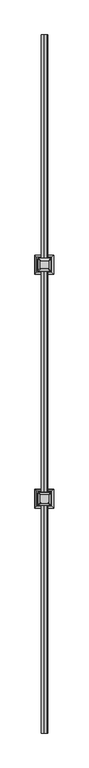
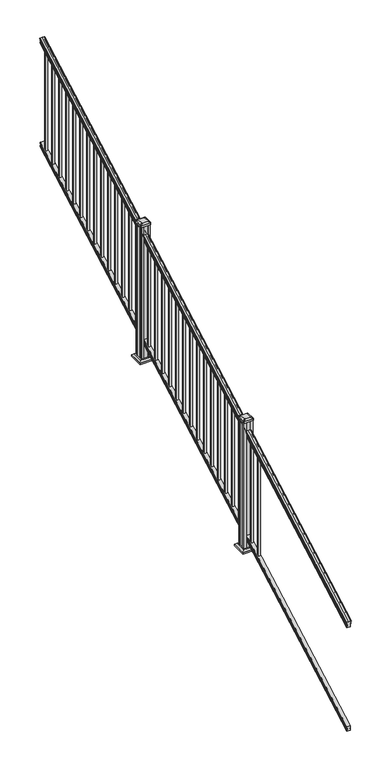
"""IFC4 building model written with IfcOpenShell, lengths in millimetres: railing geometry."""

from ifc_helpers import new_model, si_unit, point, frame, frame_2d, origin, place, context, project, spatial, polyline, circle_curve, ellipse_curve, trimmed, segment, composite_curve, outline, extrude, faceted_brep, source, transform, mapped, element, save
from ifc_brep_helpers import plane_surface, cylinder_surface, revolved_surface, extruded_surface, advanced_brep


def railing_6ab69470(model_context):
    return source(origin(), model_context, "Body", "SolidModel", [
        advanced_brep(
        [(12339.4270946, 1778.9805319, 1263.5933), (12339.4270946, 1778.9805319, 1265.7531886), (12340.5572809, 1778.9805319, 1267.540347), (12340.5572809, 1778.9805319, 1275.7974153), (12339.9080245, 1778.9805319, 1278.5811654), (12342.4080245, 1778.9805319, 1283.5346527), (12343.817367, 1778.9805319, 1285.4560334), (12344.219266, 1778.9805319, 1286.7198045), (12344.2192659, 1778.9805319, 1288.2530343), (12342.6658186, 1778.9805319, 1290.0301141), (12321.9942659, 1778.9805319, 1290.0301141), (12301.3227131, 1778.9805319, 1290.0301141), (12299.7692659, 1778.9805319, 1288.2530343), (12299.7692659, 1778.9805319, 1286.7198045), (12300.1711648, 1778.9805319, 1285.4560334), (12301.5805072, 1778.9805319, 1283.5346527), (12304.0805072, 1778.9805319, 1278.5811654), (12303.4312508, 1778.9805319, 1275.7974153), (12303.4312508, 1778.9805319, 1267.540347), (12304.5614371, 1778.9805319, 1265.7531886), (12304.5614371, 1778.9805319, 1263.5933), (12307.1352659, 1778.9805319, 1263.5933), (12307.1352659, 1778.9805319, 1251.582302), (12306.1192659, 1778.9805319, 1250.4200397), (12306.1192659, 1778.9805319, 1236.1333333), (12337.8692659, 1778.9805319, 1236.1333333), (12337.8692659, 1778.9805319, 1250.2395054), (12336.8532659, 1778.9805319, 1251.4017677), (12336.8532659, 1778.9805319, 1263.5933), (12339.4270946, 6655.7805319, 3972.9266334), (12336.8532659, 6655.7805319, 3972.9266334), (12336.8532659, 6655.7805319, 3960.735101), (12337.8692659, 6655.7805319, 3959.5728388), (12337.8692659, 6655.7805319, 3945.4666667), (12306.1192659, 6655.7805319, 3945.4666667), (12306.1192659, 6655.7805319, 3959.7533731), (12307.1352659, 6655.7805319, 3960.9156353), (12307.1352659, 6655.7805319, 3972.9266334), (12304.5614371, 6655.7805319, 3972.9266334), (12304.5614371, 6655.7805319, 3975.0865219), (12303.4312508, 6655.7805319, 3976.8736803), (12303.4312508, 6655.7805319, 3985.1307486), (12304.0805072, 6655.7805319, 3987.9144987), (12301.5805072, 6655.7805319, 3992.8679861), (12300.1711648, 6655.7805319, 3994.7893668), (12299.7692658, 6655.7805319, 3996.0531378), (12299.7692659, 6655.7805319, 3997.5863676), (12301.3227131, 6655.7805319, 3999.3634474), (12321.9942659, 6655.7805319, 3999.3634474), (12342.6658186, 6655.7805319, 3999.3634474), (12344.2192659, 6655.7805319, 3997.5863676), (12344.2192659, 6655.7805319, 3996.0531378), (12343.817367, 6655.7805319, 3994.7893668), (12342.4080245, 6655.7805319, 3992.8679861), (12339.9080245, 6655.7805319, 3987.9144987), (12340.5572809, 6655.7805319, 3985.1307486), (12340.5572809, 6655.7805319, 3976.8736803), (12339.4270946, 6655.7805319, 3975.0865219)],
        [
            (0, 1),
            (1, 2, ellipse_curve(frame((12333.1123413, 1778.9805319, 1272.3403628), z_axis=(0.0, -1.0, 0.0), x_axis=(0.0, 0.0, -0.9999999999999999)), 9.7762168, 8.545951)),
            (2, 3, ellipse_curve(frame((12333.5494043, 1778.9805319, 1271.6688811), z_axis=(0.0, -1.0, 0.0), x_axis=(0.0, 0.0, -0.9999999999999999)), 9.0173521, 7.882584)),
            (3, 4, ellipse_curve(frame((12344.0627284, 1778.9805319, 1278.3582895), z_axis=(0.0, 1.0, 0.0), x_axis=(0.0, 0.0, 0.9999999999999999)), 4.7580334, 4.1592695)),
            (4, 5, ellipse_curve(frame((12345.350035, 1778.9805319, 1278.2892329), z_axis=(0.0, 1.0, 0.0), x_axis=(0.0, 0.0, 0.9999999999999999)), 6.2322774, 5.4479907)),
            (5, 6, ellipse_curve(frame((12344.1168765, 1778.9805319, 1283.5314345), z_axis=(0.0, 1.0, 0.0), x_axis=(0.0, 0.0, 0.9999999999999999)), 1.9548591, 1.7088543)),
            (6, 7, ellipse_curve(frame((12342.4999764, 1778.9805319, 1286.7198045), z_axis=(0.0, -1.0, 0.0), x_axis=(0.0, 0.0, -0.9999999999999999)), 1.9667965, 1.7192895)),
            (7, 8),
            (8, 9, ellipse_curve(frame((12342.6658186, 1778.9805319, 1288.2530343), z_axis=(0.0, -1.0, 0.0), x_axis=(0.0, 0.0, -0.9999999999999999)), 1.7770798, 1.5534472)),
            (9, 10),
            (10, 11),
            (11, 12, ellipse_curve(frame((12301.3227131, 1778.9805319, 1288.2530343), z_axis=(0.0, -1.0, 0.0), x_axis=(0.0, 0.0, -0.9999999999999999)), 1.7770798, 1.5534472)),
            (12, 13),
            (13, 14, ellipse_curve(frame((12301.4885553, 1778.9805319, 1286.7198045), z_axis=(0.0, -1.0, 0.0), x_axis=(0.0, 0.0, -0.9999999999999999)), 1.9667965, 1.7192895)),
            (14, 15, ellipse_curve(frame((12299.8716552, 1778.9805319, 1283.5314345), z_axis=(0.0, 1.0, 0.0), x_axis=(0.0, 0.0, 0.9999999999999999)), 1.9548591, 1.7088543)),
            (15, 16, ellipse_curve(frame((12298.6384968, 1778.9805319, 1278.2892329), z_axis=(0.0, 1.0, 0.0), x_axis=(0.0, 0.0, 0.9999999999999999)), 6.2322774, 5.4479907)),
            (16, 17, ellipse_curve(frame((12299.9258033, 1778.9805319, 1278.3582895), z_axis=(0.0, 1.0, 0.0), x_axis=(0.0, 0.0, 0.9999999999999999)), 4.7580334, 4.1592695)),
            (17, 18, ellipse_curve(frame((12310.4391275, 1778.9805319, 1271.6688811), z_axis=(0.0, -1.0, 0.0), x_axis=(0.0, 0.0, -0.9999999999999999)), 9.0173521, 7.882584)),
            (18, 19, ellipse_curve(frame((12310.8761904, 1778.9805319, 1272.3403628), z_axis=(0.0, -1.0, 0.0), x_axis=(0.0, 0.0, -0.9999999999999999)), 9.7762168, 8.545951)),
            (19, 20),
            (20, 21, ellipse_curve(frame((12305.8483515, 1778.9805319, 1263.5933), z_axis=(0.0, -1.0, 0.0), x_axis=(0.0, 0.0, -0.9999999999999999)), 1.4721772, 1.2869144)),
            (21, 22),
            (22, 23),
            (23, 24),
            (24, 25),
            (25, 26),
            (26, 27),
            (27, 28),
            (28, 0, ellipse_curve(frame((12338.1401802, 1778.9805319, 1263.5933), z_axis=(0.0, -1.0, 0.0), x_axis=(0.0, 0.0, -0.9999999999999999)), 1.4721772, 1.2869144)),
            (29, 30, ellipse_curve(frame((12338.1401802, 6655.7805319, 3972.9266334), z_axis=(0.0, 1.0, 0.0), x_axis=(0.0, 0.0, -0.9999999999999999)), 1.4721772, 1.2869144)),
            (30, 31),
            (31, 32),
            (32, 33),
            (33, 34),
            (34, 35),
            (35, 36),
            (36, 37),
            (37, 38, ellipse_curve(frame((12305.8483515, 6655.7805319, 3972.9266334), z_axis=(0.0, 1.0, 0.0), x_axis=(0.0, 0.0, -0.9999999999999999)), 1.4721772, 1.2869144)),
            (38, 39),
            (39, 40, ellipse_curve(frame((12310.8761904, 6655.7805319, 3981.6736961), z_axis=(0.0, 1.0, 0.0), x_axis=(0.0, 0.0, -0.9999999999999999)), 9.7762168, 8.545951)),
            (40, 41, ellipse_curve(frame((12310.4391275, 6655.7805319, 3981.0022145), z_axis=(0.0, 1.0, 0.0), x_axis=(0.0, 0.0, -0.9999999999999999)), 9.0173521, 7.882584)),
            (41, 42, ellipse_curve(frame((12299.9258033, 6655.7805319, 3987.6916228), z_axis=(0.0, -1.0, 0.0), x_axis=(0.0, 0.0, 0.9999999999999999)), 4.7580334, 4.1592695)),
            (42, 43, ellipse_curve(frame((12298.6384968, 6655.7805319, 3987.6225663), z_axis=(0.0, -1.0, 0.0), x_axis=(0.0, 0.0, 0.9999999999999999)), 6.2322774, 5.4479907)),
            (43, 44, ellipse_curve(frame((12299.8716552, 6655.7805319, 3992.8647678), z_axis=(0.0, -1.0, 0.0), x_axis=(0.0, 0.0, 0.9999999999999999)), 1.9548591, 1.7088543)),
            (44, 45, ellipse_curve(frame((12301.4885553, 6655.7805319, 3996.0531378), z_axis=(0.0, 1.0, 0.0), x_axis=(0.0, 0.0, -0.9999999999999999)), 1.9667965, 1.7192895)),
            (45, 46),
            (46, 47, ellipse_curve(frame((12301.3227131, 6655.7805319, 3997.5863676), z_axis=(0.0, 1.0, 0.0), x_axis=(0.0, 0.0, -0.9999999999999999)), 1.7770798, 1.5534472)),
            (47, 48),
            (48, 49),
            (49, 50, ellipse_curve(frame((12342.6658186, 6655.7805319, 3997.5863676), z_axis=(0.0, 1.0, 0.0), x_axis=(0.0, 0.0, -0.9999999999999999)), 1.7770798, 1.5534472)),
            (50, 51),
            (51, 52, ellipse_curve(frame((12342.4999764, 6655.7805319, 3996.0531378), z_axis=(0.0, 1.0, 0.0), x_axis=(0.0, 0.0, -0.9999999999999999)), 1.9667965, 1.7192895)),
            (52, 53, ellipse_curve(frame((12344.1168765, 6655.7805319, 3992.8647678), z_axis=(0.0, -1.0, 0.0), x_axis=(0.0, 0.0, 0.9999999999999999)), 1.9548591, 1.7088543)),
            (53, 54, ellipse_curve(frame((12345.350035, 6655.7805319, 3987.6225663), z_axis=(0.0, -1.0, 0.0), x_axis=(0.0, 0.0, 0.9999999999999999)), 6.2322774, 5.4479907)),
            (54, 55, ellipse_curve(frame((12344.0627284, 6655.7805319, 3987.6916228), z_axis=(0.0, -1.0, 0.0), x_axis=(0.0, 0.0, 0.9999999999999999)), 4.7580334, 4.1592695)),
            (55, 56, ellipse_curve(frame((12333.5494043, 6655.7805319, 3981.0022145), z_axis=(0.0, 1.0, 0.0), x_axis=(0.0, 0.0, -0.9999999999999999)), 9.0173521, 7.882584)),
            (56, 57, ellipse_curve(frame((12333.1123413, 6655.7805319, 3981.6736961), z_axis=(0.0, 1.0, 0.0), x_axis=(0.0, 0.0, -0.9999999999999999)), 9.7762168, 8.545951)),
            (57, 29),
            (0, 29),
            (57, 1),
            (56, 2),
            (55, 3),
            (54, 4),
            (53, 5),
            (52, 6),
            (51, 7),
            (50, 8),
            (49, 9),
            (48, 10),
            (47, 11),
            (46, 12),
            (45, 13),
            (44, 14),
            (43, 15),
            (42, 16),
            (41, 17),
            (40, 18),
            (39, 19),
            (38, 20),
            (37, 21),
            (36, 22),
            (35, 23),
            (34, 24),
            (33, 25),
            (32, 26),
            (31, 27),
            (30, 28),
        ],
        [
            plane_surface(frame((12321.9942659, 1778.9805319, 1236.1333333), z_axis=(0.0, -1.0, 0.0), x_axis=(0.0, 0.0, 1.0))),
            plane_surface(frame((12321.9942659, 6655.7805319, 3945.4666667), z_axis=(0.0, 1.0, 0.0), x_axis=(0.0, 0.0, 1.0))),
            plane_surface(frame((12339.4270946, 1778.9805319, 1263.5933), z_axis=(1.0000000000000002, 0.0, 0.0), x_axis=(0.0, 0.8741572761215701, 0.48564293117857404))),
            cylinder_surface(frame((12333.1123413, 1763.6096232, 1263.8009691), z_axis=(0.0, -0.8741572761215701, -0.48564293117857404), x_axis=(-1.0, 0.0, 0.0)), 8.545951),
            cylinder_surface(frame((12333.5494043, 1763.8946861, 1263.2878557), z_axis=(0.0, -0.8741572761215701, -0.48564293117857404), x_axis=(-1.0, 0.0, 0.0)), 7.882584),
            revolved_surface(polyline([(12339.9034589, 6657.8004517445215, 3988.813800479864), (12339.9034589, 1776.960612079246, 1277.2361117773576)]), (12344.0627284, 1761.054843, 1268.3995734), (0.0, 0.8741572761215701, 0.48564293117857404)),
            revolved_surface(polyline([(12339.902044299999, 6658.426310041691, 3989.0924430449577), (12339.902044299999, 1776.3347537301895, 1276.8193562056595)]), (12345.350035, 1761.0841594, 1268.3468038), (0.0, 0.8741572761215701, 0.48564293117857404)),
            revolved_surface(polyline([(12342.4080222, 6656.610424923767, 3993.325819457222), (12342.4080222, 1778.1506389094347, 1283.0703827830175)]), (12344.1168765, 1758.8586965, 1272.352637), (0.0, 0.8741572761215701, 0.48564293117857404)),
            cylinder_surface(frame((12342.4999764, 1757.5051432, 1274.789033), z_axis=(0.0, -0.8741572761215701, -0.48564293117857404), x_axis=(-1.0, 0.0, 0.0)), 1.7192895),
            plane_surface(frame((12344.2192659, 1778.9805319, 1286.7198045), z_axis=(1.0000000000000002, 0.0, 0.0), x_axis=(0.0, 0.8741572761215701, 0.485642931178574))),
            cylinder_surface(frame((12342.6658186, 1756.8542438, 1275.960652), z_axis=(0.0, -0.8741572761215701, -0.48564293117857404), x_axis=(-1.0, 0.0, 0.0)), 1.5534472),
            plane_surface(frame((12342.6658186, 1778.9805319, 1290.0301141), z_axis=(0.0, -0.485642931178574, 0.8741572761215701), x_axis=(0.0, 0.8741572761215701, 0.485642931178574))),
            plane_surface(frame((12321.9942659, 1778.9805319, 1290.0301141), z_axis=(0.0, -0.485642931178574, 0.8741572761215701), x_axis=(0.0, 0.8741572761215701, 0.485642931178574))),
            cylinder_surface(frame((12301.3227131, 1756.8542438, 1275.960652), z_axis=(0.0, -0.8741572761215701, -0.48564293117857404), x_axis=(1.0, 0.0, 0.0)), 1.5534472),
            plane_surface(frame((12299.7692659, 1778.9805319, 1288.2530343), z_axis=(-1.0000000000000002, 0.0, 0.0), x_axis=(0.0, 0.8741572761215701, 0.485642931178574))),
            cylinder_surface(frame((12301.4885553, 1757.5051432, 1274.789033), z_axis=(0.0, -0.8741572761215701, -0.48564293117857404), x_axis=(1.0, 0.0, 0.0)), 1.7192895),
            revolved_surface(polyline([(12301.580509500001, 6656.610424923767, 3993.325819457222), (12301.580509500001, 1778.1506389094347, 1283.0703827830175)]), (12299.8716552, 1758.8586965, 1272.352637), (0.0, 0.8741572761215701, 0.48564293117857404)),
            revolved_surface(polyline([(12304.0864875, 6658.426310041691, 3989.0924430449577), (12304.0864875, 1776.3347537301895, 1276.8193562056595)]), (12298.6384968, 1761.0841594, 1268.3468038), (0.0, 0.8741572761215701, 0.48564293117857404)),
            revolved_surface(polyline([(12304.0850728, 6657.8004517445215, 3988.813800479864), (12304.0850728, 1776.960612079246, 1277.2361117773576)]), (12299.9258033, 1761.054843, 1268.3995734), (0.0, 0.8741572761215701, 0.48564293117857404)),
            cylinder_surface(frame((12310.4391275, 1763.8946861, 1263.2878557), z_axis=(0.0, -0.8741572761215701, -0.48564293117857404), x_axis=(1.0, 0.0, 0.0)), 7.882584),
            cylinder_surface(frame((12310.8761904, 1763.6096232, 1263.8009691), z_axis=(0.0, -0.8741572761215701, -0.48564293117857404), x_axis=(1.0, 0.0, 0.0)), 8.545951),
            plane_surface(frame((12304.5614371, 1778.9805319, 1265.7531886), z_axis=(-1.0000000000000002, 0.0, 0.0), x_axis=(0.0, 0.8741572761215701, 0.485642931178574))),
            cylinder_surface(frame((12305.8483515, 1767.3229989, 1257.1168928), z_axis=(0.0, -0.8741572761215701, -0.48564293117857404), x_axis=(1.0, 0.0, 0.0)), 1.2869144),
            plane_surface(frame((12307.1352659, 1778.9805319, 1263.5933), z_axis=(-1.0000000000000002, 0.0, 0.0), x_axis=(0.0, 0.8741572761215701, 0.485642931178574))),
            plane_surface(frame((12307.1352659, 1778.9805319, 1251.582302), z_axis=(-0.7071067811865438, -0.3434014098716824, 0.6181225377691275), x_axis=(0.0, 0.8741572761215701, 0.48564293117857393))),
            plane_surface(frame((12306.1192659, 1778.9805319, 1250.4200397), z_axis=(-1.0000000000000002, 0.0, 0.0), x_axis=(0.0, 0.8741572761215701, 0.485642931178574))),
            plane_surface(frame((12306.1192659, 1778.9805319, 1236.1333333), z_axis=(0.0, 0.485642931178574, -0.8741572761215701), x_axis=(0.0, 0.8741572761215701, 0.485642931178574))),
            plane_surface(frame((12337.8692659, 1778.9805319, 1236.1333333), z_axis=(1.0000000000000002, 0.0, 0.0), x_axis=(0.0, 0.8741572761215701, 0.485642931178574))),
            plane_surface(frame((12337.8692659, 1778.9805319, 1250.2395054), z_axis=(0.707106781186539, -0.34340140987168655, 0.6181225377691304), x_axis=(0.0, 0.8741572761215701, 0.48564293117857393))),
            plane_surface(frame((12336.8532659, 1778.9805319, 1251.4017677), z_axis=(1.0000000000000002, 0.0, 0.0), x_axis=(0.0, 0.8741572761215701, 0.48564293117857404))),
            cylinder_surface(frame((12338.1401802, 1767.3229989, 1257.1168928), z_axis=(0.0, -0.8741572761215701, -0.48564293117857404), x_axis=(-1.0, 0.0, 0.0)), 1.2869144),
        ],
        [
            (0, [[1, 2, 3, 4, 5, 6, 7, 8, 9, 10, 11, 12, 13, 14, 15, 16, 17, 18, 19, 20, 21, 22, 23, 24, 25, 26, 27, 28, 29]]),
            (1, [[30, 31, 32, 33, 34, 35, 36, 37, 38, 39, 40, 41, 42, 43, 44, 45, 46, 47, 48, 49, 50, 51, 52, 53, 54, 55, 56, 57, 58]]),
            (2, [[-1, 59, -58, 60]]),
            (3, [[-2, -60, -57, 61]]),
            (4, [[-3, -61, -56, 62]]),
            (5, [[-4, -62, -55, 63]]),
            (6, [[-5, -63, -54, 64]]),
            (7, [[-6, -64, -53, 65]]),
            (8, [[-7, -65, -52, 66]]),
            (9, [[-8, -66, -51, 67]]),
            (10, [[-9, -67, -50, 68]]),
            (11, [[-10, -68, -49, 69]]),
            (12, [[-11, -69, -48, 70]]),
            (13, [[-12, -70, -47, 71]]),
            (14, [[-13, -71, -46, 72]]),
            (15, [[-14, -72, -45, 73]]),
            (16, [[-15, -73, -44, 74]]),
            (17, [[-16, -74, -43, 75]]),
            (18, [[-17, -75, -42, 76]]),
            (19, [[-18, -76, -41, 77]]),
            (20, [[-19, -77, -40, 78]]),
            (21, [[-20, -78, -39, 79]]),
            (22, [[-21, -79, -38, 80]]),
            (23, [[-22, -80, -37, 81]]),
            (24, [[-23, -81, -36, 82]]),
            (25, [[-24, -82, -35, 83]]),
            (26, [[-25, -83, -34, 84]]),
            (27, [[-26, -84, -33, 85]]),
            (28, [[-27, -85, -32, 86]]),
            (29, [[-28, -86, -31, 87]]),
            (30, [[-29, -87, -30, -59]]),
        ],
    ),
        faceted_brep([(12337.9067528, 1778.9805319, 247.1948195), (12336.8907528, 1778.9805319, 248.6824473), (12336.8907528, 1778.9805319, 260.5333506), (12337.9067528, 1778.9805319, 262.0757247), (12337.9067528, 1778.9805319, 276.4134523), (12306.1567528, 1778.9805319, 276.4134523), (12306.1567528, 1778.9805319, 262.0566814), (12307.1727528, 1778.9805319, 260.5143074), (12307.1727528, 1778.9805319, 248.7181503), (12306.1567528, 1778.9805319, 247.1757762), (12306.1567528, 1778.9805319, 232.8333333), (12337.9067528, 1778.9805319, 232.8333333), (12337.9067528, 6655.7805319, 2956.5281528), (12337.9067528, 6655.7805319, 2942.1666667), (12306.1567528, 6655.7805319, 2942.1666667), (12306.1567528, 6655.7805319, 2956.5091096), (12307.1727528, 6655.7805319, 2958.0514837), (12307.1727528, 6655.7805319, 2969.8476407), (12306.1567528, 6655.7805319, 2971.3900148), (12306.1567528, 6655.7805319, 2985.7467856), (12337.9067528, 6655.7805319, 2985.7467856), (12337.9067528, 6655.7805319, 2971.409058), (12336.8907528, 6655.7805319, 2969.8666839), (12336.8907528, 6655.7805319, 2958.0157807)], [[[0, 1, 2, 3, 4, 5, 6, 7, 8, 9, 10, 11]], [[12, 13, 14, 15, 16, 17, 18, 19, 20, 21, 22, 23]], [[1, 0, 12, 23]], [[2, 1, 23, 22]], [[3, 2, 22, 21]], [[4, 3, 21, 20]], [[5, 4, 20, 19]], [[6, 5, 19, 18]], [[7, 6, 18, 17]], [[8, 7, 17, 16]], [[9, 8, 16, 15]], [[10, 9, 15, 14]], [[11, 10, 14, 13]], [[0, 11, 13, 12]]]),
        extrude(outline(polyline([(12331.5192659, 6580.5727194), (12312.4692659, 6580.5727194), (12312.4692659, 6599.6227194), (12331.5192659, 6599.6227194), (12331.5192659, 6580.5727194)]), holes=[polyline([(12331.1223909, 6580.9695944), (12331.1223909, 6599.2258444), (12312.8661409, 6599.2258444), (12312.8661409, 6580.9695944), (12331.1223909, 6580.9695944)])]), frame((0.0, 0.0, 2943.7720933), z_axis=(0.0, 0.0, 1.0), x_axis=(1.0, 0.0, 0.0)), (0.0, 0.0, 1.0), 965.2041219),
        extrude(outline(polyline([(12331.5192659, 6469.4477194), (12312.4692659, 6469.4477194), (12312.4692659, 6488.4977194), (12331.5192659, 6488.4977194), (12331.5192659, 6469.4477194)]), holes=[polyline([(12331.1223909, 6469.8445944), (12331.1223909, 6488.1008444), (12312.8661409, 6488.1008444), (12312.8661409, 6469.8445944), (12331.1223909, 6469.8445944)])]), frame((0.0, 0.0, 2882.0359822), z_axis=(0.0, 0.0, 1.0), x_axis=(1.0, 0.0, 0.0)), (0.0, 0.0, 1.0), 965.2041219),
        extrude(outline(polyline([(12331.5192659, 6358.3227194), (12312.4692659, 6358.3227194), (12312.4692659, 6377.3727194), (12331.5192659, 6377.3727194), (12331.5192659, 6358.3227194)]), holes=[polyline([(12331.1223909, 6358.7195944), (12331.1223909, 6376.9758444), (12312.8661409, 6376.9758444), (12312.8661409, 6358.7195944), (12331.1223909, 6358.7195944)])]), frame((0.0, 0.0, 2820.2998711), z_axis=(0.0, 0.0, 1.0), x_axis=(1.0, 0.0, 0.0)), (0.0, 0.0, 1.0), 965.2041219),
        extrude(outline(polyline([(12331.5192659, 6247.1977194), (12312.4692659, 6247.1977194), (12312.4692659, 6266.2477194), (12331.5192659, 6266.2477194), (12331.5192659, 6247.1977194)]), holes=[polyline([(12331.1223909, 6247.5945944), (12331.1223909, 6265.8508444), (12312.8661409, 6265.8508444), (12312.8661409, 6247.5945944), (12331.1223909, 6247.5945944)])]), frame((0.0, 0.0, 2758.56376), z_axis=(0.0, 0.0, 1.0), x_axis=(1.0, 0.0, 0.0)), (0.0, 0.0, 1.0), 965.2041219),
        extrude(outline(polyline([(12331.5192659, 6136.0727194), (12312.4692659, 6136.0727194), (12312.4692659, 6155.1227194), (12331.5192659, 6155.1227194), (12331.5192659, 6136.0727194)]), holes=[polyline([(12331.1223909, 6136.4695944), (12331.1223909, 6154.7258444), (12312.8661409, 6154.7258444), (12312.8661409, 6136.4695944), (12331.1223909, 6136.4695944)])]), frame((0.0, 0.0, 2696.8276489), z_axis=(0.0, 0.0, 1.0), x_axis=(1.0, 0.0, 0.0)), (0.0, 0.0, 1.0), 965.2041219),
        extrude(outline(polyline([(12331.5192659, 6024.9477194), (12312.4692659, 6024.9477194), (12312.4692659, 6043.9977194), (12331.5192659, 6043.9977194), (12331.5192659, 6024.9477194)]), holes=[polyline([(12331.1223909, 6025.3445944), (12331.1223909, 6043.6008444), (12312.8661409, 6043.6008444), (12312.8661409, 6025.3445944), (12331.1223909, 6025.3445944)])]), frame((0.0, 0.0, 2635.0915378), z_axis=(0.0, 0.0, 1.0), x_axis=(1.0, 0.0, 0.0)), (0.0, 0.0, 1.0), 965.2041219),
        extrude(outline(polyline([(12331.5192659, 5913.8227194), (12312.4692659, 5913.8227194), (12312.4692659, 5932.8727194), (12331.5192659, 5932.8727194), (12331.5192659, 5913.8227194)]), holes=[polyline([(12331.1223909, 5914.2195944), (12331.1223909, 5932.4758444), (12312.8661409, 5932.4758444), (12312.8661409, 5914.2195944), (12331.1223909, 5914.2195944)])]), frame((0.0, 0.0, 2573.3554267), z_axis=(0.0, 0.0, 1.0), x_axis=(1.0, 0.0, 0.0)), (0.0, 0.0, 1.0), 965.2041219),
        extrude(outline(polyline([(12331.5192659, 5802.6977194), (12312.4692659, 5802.6977194), (12312.4692659, 5821.7477194), (12331.5192659, 5821.7477194), (12331.5192659, 5802.6977194)]), holes=[polyline([(12331.1223909, 5803.0945944), (12331.1223909, 5821.3508444), (12312.8661409, 5821.3508444), (12312.8661409, 5803.0945944), (12331.1223909, 5803.0945944)])]), frame((0.0, 0.0, 2511.6193156), z_axis=(0.0, 0.0, 1.0), x_axis=(1.0, 0.0, 0.0)), (0.0, 0.0, 1.0), 965.2041219),
        extrude(outline(polyline([(12331.5192659, 5691.5727194), (12312.4692659, 5691.5727194), (12312.4692659, 5710.6227194), (12331.5192659, 5710.6227194), (12331.5192659, 5691.5727194)]), holes=[polyline([(12331.1223909, 5691.9695944), (12331.1223909, 5710.2258444), (12312.8661409, 5710.2258444), (12312.8661409, 5691.9695944), (12331.1223909, 5691.9695944)])]), frame((0.0, 0.0, 2449.8832045), z_axis=(0.0, 0.0, 1.0), x_axis=(1.0, 0.0, 0.0)), (0.0, 0.0, 1.0), 965.2041219),
        extrude(outline(polyline([(12331.5192659, 5580.4477194), (12312.4692659, 5580.4477194), (12312.4692659, 5599.4977194), (12331.5192659, 5599.4977194), (12331.5192659, 5580.4477194)]), holes=[polyline([(12331.1223909, 5580.8445944), (12331.1223909, 5599.1008444), (12312.8661409, 5599.1008444), (12312.8661409, 5580.8445944), (12331.1223909, 5580.8445944)])]), frame((0.0, 0.0, 2388.1470933), z_axis=(0.0, 0.0, 1.0), x_axis=(1.0, 0.0, 0.0)), (0.0, 0.0, 1.0), 965.2041219),
        extrude(outline(polyline([(12331.5192659, 5469.3227194), (12312.4692659, 5469.3227194), (12312.4692659, 5488.3727194), (12331.5192659, 5488.3727194), (12331.5192659, 5469.3227194)]), holes=[polyline([(12331.1223909, 5469.7195944), (12331.1223909, 5487.9758444), (12312.8661409, 5487.9758444), (12312.8661409, 5469.7195944), (12331.1223909, 5469.7195944)])]), frame((0.0, 0.0, 2326.4109822), z_axis=(0.0, 0.0, 1.0), x_axis=(1.0, 0.0, 0.0)), (0.0, 0.0, 1.0), 965.2041219),
        extrude(outline(polyline([(12331.5192659, 5358.1977194), (12312.4692659, 5358.1977194), (12312.4692659, 5377.2477194), (12331.5192659, 5377.2477194), (12331.5192659, 5358.1977194)]), holes=[polyline([(12331.1223909, 5358.5945944), (12331.1223909, 5376.8508444), (12312.8661409, 5376.8508444), (12312.8661409, 5358.5945944), (12331.1223909, 5358.5945944)])]), frame((0.0, 0.0, 2264.6748711), z_axis=(0.0, 0.0, 1.0), x_axis=(1.0, 0.0, 0.0)), (0.0, 0.0, 1.0), 965.2041219),
        extrude(outline(polyline([(12331.5192659, 5247.0727194), (12312.4692659, 5247.0727194), (12312.4692659, 5266.1227194), (12331.5192659, 5266.1227194), (12331.5192659, 5247.0727194)]), holes=[polyline([(12331.1223909, 5247.4695944), (12331.1223909, 5265.7258444), (12312.8661409, 5265.7258444), (12312.8661409, 5247.4695944), (12331.1223909, 5247.4695944)])]), frame((0.0, 0.0, 2202.93876), z_axis=(0.0, 0.0, 1.0), x_axis=(1.0, 0.0, 0.0)), (0.0, 0.0, 1.0), 965.2041219),
        extrude(outline(polyline([(12331.5192659, 5135.9477194), (12312.4692659, 5135.9477194), (12312.4692659, 5154.9977194), (12331.5192659, 5154.9977194), (12331.5192659, 5135.9477194)]), holes=[polyline([(12331.1223909, 5136.3445944), (12331.1223909, 5154.6008444), (12312.8661409, 5154.6008444), (12312.8661409, 5136.3445944), (12331.1223909, 5136.3445944)])]), frame((0.0, 0.0, 2141.2026489), z_axis=(0.0, 0.0, 1.0), x_axis=(1.0, 0.0, 0.0)), (0.0, 0.0, 1.0), 965.2041219),
        extrude(outline(polyline([(12282.3067659, 5008.7492819), (12280.7192659, 5010.3367819), (12280.7192659, 5029.9582819), (12282.3067659, 5030.7202819), (12282.3067659, 5069.3282819), (12280.7192659, 5070.0902819), (12280.7192659, 5089.7117819), (12282.3067659, 5091.2992819), (12301.9282659, 5091.2992819), (12302.6902659, 5089.7117819), (12341.2982659, 5089.7117819), (12342.0602659, 5091.2992819), (12361.6817659, 5091.2992819), (12363.2692659, 5089.7117819), (12363.2692659, 5070.0902819), (12361.6817659, 5069.3282819), (12361.6817659, 5030.7202819), (12363.2692659, 5029.9582819), (12363.2692659, 5010.3367819), (12361.6817659, 5008.7492819), (12342.0602659, 5008.7492819), (12341.2982659, 5010.3367819), (12302.6902659, 5010.3367819), (12301.9282659, 5008.7492819), (12282.3067659, 5008.7492819)])), frame((0.0, 0.0, 1862.6666667), z_axis=(0.0, 0.0, 1.0), x_axis=(1.0, 0.0, 0.0)), (0.0, 0.0, 1.0), 1307.6774575),
        faceted_brep([(12374.5802034, 4997.4383444, 1891.2416667), (12374.5802034, 5102.6102194, 1891.2416667), (12269.4083284, 5102.6102194, 1891.2416667), (12269.4083284, 4997.4383444, 1891.2416667), (12388.6196565, 4983.3988913, 1877.9066667), (12255.3688753, 4983.3988913, 1877.9066667), (12255.3688753, 5116.6496725, 1877.9066667), (12388.6196565, 5116.6496725, 1877.9066667)], [[[0, 1, 2, 3]], [[4, 5, 6, 7]], [[4, 0, 3, 5]], [[5, 3, 2, 6]], [[6, 2, 1, 7]], [[7, 1, 0, 4]]]),
        extrude(outline(polyline([(12388.6196565, 4983.3988913), (12255.3688753, 4983.3988913), (12255.3688753, 5116.6496725), (12388.6196565, 5116.6496725), (12388.6196565, 4983.3988913)])), frame((0.0, 0.0, 1862.6666667), z_axis=(0.0, 0.0, 1.0), x_axis=(1.0, 0.0, 0.0)), (0.0, 0.0, 1.0), 15.24),
        advanced_brep(
        [(12296.1973909, 5021.0524069, 3198.9191241), (12347.7911409, 5021.0524069, 3198.9191241), (12350.9661409, 5024.2274069, 3198.9191241), (12350.9661409, 5075.8211569, 3198.9191241), (12347.7911409, 5078.9961569, 3198.9191241), (12296.1973909, 5078.9961569, 3198.9191241), (12293.0223909, 5075.8211569, 3198.9191241), (12293.0223909, 5024.2274069, 3198.9191241), (12279.9255159, 5004.7805319, 3187.6161241), (12276.7505159, 5007.9555319, 3187.6161241), (12276.7505159, 5092.0930319, 3187.6161241), (12279.9255159, 5095.2680319, 3187.6161241), (12364.0630159, 5095.2680319, 3187.6161241), (12367.2380159, 5092.0930319, 3187.6161241), (12367.2380159, 5007.9555319, 3187.6161241), (12364.0630159, 5004.7805319, 3187.6161241)],
        [
            (0, 1),
            (1, 2, circle_curve(frame((12347.7911409, 5024.2274069, 3198.9191241), z_axis=(0.0, 0.0, 1.0), x_axis=(0.0, 1.0, 0.0)), 3.175)),
            (2, 3),
            (3, 4, circle_curve(frame((12347.7911409, 5075.8211569, 3198.9191241), z_axis=(0.0, 0.0, 1.0), x_axis=(0.0, 1.0, 0.0)), 3.175)),
            (4, 5),
            (5, 6, circle_curve(frame((12296.1973909, 5075.8211569, 3198.9191241), z_axis=(0.0, 0.0, 1.0), x_axis=(0.0, 1.0, 0.0)), 3.175)),
            (6, 7),
            (7, 0, circle_curve(frame((12296.1973909, 5024.2274069, 3198.9191241), z_axis=(0.0, 0.0, 1.0), x_axis=(0.0, 1.0, 0.0)), 3.175)),
            (8, 9, circle_curve(frame((12279.9255159, 5007.9555319, 3187.6161241), z_axis=(0.0, 0.0, -1.0), x_axis=(0.0, 1.0, 0.0)), 3.175)),
            (9, 10),
            (10, 11, circle_curve(frame((12279.9255159, 5092.0930319, 3187.6161241), z_axis=(0.0, 0.0, -1.0), x_axis=(0.0, 1.0, 0.0)), 3.175)),
            (11, 12),
            (12, 13, circle_curve(frame((12364.0630159, 5092.0930319, 3187.6161241), z_axis=(0.0, 0.0, -1.0), x_axis=(0.0, 1.0, 0.0)), 3.175)),
            (13, 14),
            (14, 15, circle_curve(frame((12364.0630159, 5007.9555319, 3187.6161241), z_axis=(0.0, 0.0, -1.0), x_axis=(0.0, 1.0, 0.0)), 3.175)),
            (15, 8),
            (8, 0),
            (7, 9),
            (6, 10),
            (5, 11),
            (4, 12),
            (3, 13),
            (2, 14),
            (1, 15),
        ],
        [
            plane_surface(frame((12321.9942659, 5050.0242819, 3198.9191241), z_axis=(0.0, 0.0, 1.0), x_axis=(-1.0, 0.0, 0.0))),
            plane_surface(frame((12321.9942659, 5050.0242819, 3187.6161241), z_axis=(0.0, 0.0, -1.0), x_axis=(-1.0, 0.0, 0.0))),
            extruded_surface(trimmed(circle_curve(frame((12296.1973909, 5024.2274069, 3198.9191241), z_axis=(0.0, 0.0, -1.0), x_axis=(0.0, 1.0, 0.0)), 3.175), [point((12296.1973909, 5021.0524069, 3198.9191241))], [point((12293.0223909, 5024.2274069, 3198.9191241))], True, "CARTESIAN"), (-16.271875000000364, -16.271874999999454, -11.302999999999884), 25.637972638865996),
            plane_surface(frame((12276.7505159, 5050.0242819, 3187.6161241), z_axis=(-0.5705009161540686, 0.0, 0.8212969649690474), x_axis=(0.0, 1.0, 0.0))),
            extruded_surface(trimmed(circle_curve(frame((12296.1973909, 5075.8211569, 3198.9191241), z_axis=(0.0, 0.0, -1.0), x_axis=(0.0, 1.0, 0.0)), 3.175), [point((12293.0223909, 5075.8211569, 3198.9191241))], [point((12296.1973909, 5078.9961569, 3198.9191241))], True, "CARTESIAN"), (-16.271875000000364, 16.271875000000364, -11.302999999999884), 25.63797263886657),
            plane_surface(frame((12321.9942659, 5095.2680319, 3187.6161241), z_axis=(0.0, 0.5705009161540291, 0.8212969649690747), x_axis=(1.0, 0.0, 0.0))),
            extruded_surface(trimmed(circle_curve(frame((12347.7911409, 5075.8211569, 3198.9191241), z_axis=(0.0, 0.0, -1.0), x_axis=(0.0, 1.0, 0.0)), 3.175), [point((12347.7911409, 5078.9961569, 3198.9191241))], [point((12350.9661409, 5075.8211569, 3198.9191241))], True, "CARTESIAN"), (16.271874999998545, 16.271875000000364, -11.302999999999884), 25.63797263886542),
            plane_surface(frame((12367.2380159, 5050.0242819, 3187.6161241), z_axis=(0.5705009161540234, 0.0, 0.8212969649690787), x_axis=(0.0, -1.0, 0.0))),
            extruded_surface(trimmed(circle_curve(frame((12347.7911409, 5024.2274069, 3198.9191241), z_axis=(0.0, 0.0, -1.0), x_axis=(0.0, 1.0, 0.0)), 3.175), [point((12350.9661409, 5024.2274069, 3198.9191241))], [point((12347.7911409, 5021.0524069, 3198.9191241))], True, "CARTESIAN"), (16.271874999998545, -16.271874999999454, -11.302999999999884), 25.63797263886484),
            plane_surface(frame((12321.9942659, 5004.7805319, 3187.6161241), z_axis=(0.0, -0.570500916154034, 0.8212969649690713), x_axis=(-1.0, 0.0, 0.0))),
        ],
        [
            (0, [[1, 2, 3, 4, 5, 6, 7, 8]]),
            (1, [[9, 10, 11, 12, 13, 14, 15, 16]]),
            (2, [[17, -8, 18, -9]]),
            (3, [[-18, -7, 19, -10]]),
            (4, [[-19, -6, 20, -11]]),
            (5, [[-20, -5, 21, -12]]),
            (6, [[-21, -4, 22, -13]]),
            (7, [[-22, -3, 23, -14]]),
            (8, [[-23, -2, 24, -15]]),
            (9, [[-24, -1, -17, -16]]),
        ],
    ),
        extrude(outline(composite_curve([segment(trimmed(circle_curve(frame_2d((12279.9255159, 5007.9555319)), 3.175), [point((12279.9255159, 5004.7805319))], [point((12276.7505159, 5007.9555319))], False, "CARTESIAN"), True, "CONTINUOUS"), segment(polyline([(12276.7505159, 5007.9555319), (12276.7505159, 5092.0930319)]), True, "CONTINUOUS"), segment(trimmed(circle_curve(frame_2d((12279.9255159, 5092.0930319)), 3.175), [point((12276.7505159, 5092.0930319))], [point((12279.9255159, 5095.2680319))], False, "CARTESIAN"), True, "CONTINUOUS"), segment(polyline([(12279.9255159, 5095.2680319), (12364.0630159, 5095.2680319)]), True, "CONTINUOUS"), segment(trimmed(circle_curve(frame_2d((12364.0630159, 5092.0930319)), 3.175), [point((12364.0630159, 5095.2680319))], [point((12367.2380159, 5092.0930319))], False, "CARTESIAN"), True, "CONTINUOUS"), segment(polyline([(12367.2380159, 5092.0930319), (12367.2380159, 5007.9555319)]), True, "CONTINUOUS"), segment(trimmed(circle_curve(frame_2d((12364.0630159, 5007.9555319)), 3.175), [point((12367.2380159, 5007.9555319))], [point((12364.0630159, 5004.7805319))], False, "CARTESIAN"), True, "CONTINUOUS"), segment(polyline([(12364.0630159, 5004.7805319), (12279.9255159, 5004.7805319)]), True, "CONTINUOUS")], self_intersect=False)), frame((0.0, 0.0, 3170.3441241), z_axis=(0.0, 0.0, 1.0), x_axis=(1.0, 0.0, 0.0)), (0.0, 0.0, 1.0), 17.272),
        extrude(outline(polyline([(12331.5192659, 4945.0508444), (12312.4692659, 4945.0508444), (12312.4692659, 4964.1008444), (12331.5192659, 4964.1008444), (12331.5192659, 4945.0508444)]), holes=[polyline([(12331.1223909, 4945.4477194), (12331.1223909, 4963.7039694), (12312.8661409, 4963.7039694), (12312.8661409, 4945.4477194), (12331.1223909, 4945.4477194)])]), frame((0.0, 0.0, 2035.1488295), z_axis=(0.0, 0.0, 1.0), x_axis=(1.0, 0.0, 0.0)), (0.0, 0.0, 1.0), 965.2041219),
        extrude(outline(polyline([(12331.5192659, 4833.9258444), (12312.4692659, 4833.9258444), (12312.4692659, 4852.9758444), (12331.5192659, 4852.9758444), (12331.5192659, 4833.9258444)]), holes=[polyline([(12331.1223909, 4834.3227194), (12331.1223909, 4852.5789694), (12312.8661409, 4852.5789694), (12312.8661409, 4834.3227194), (12331.1223909, 4834.3227194)])]), frame((0.0, 0.0, 1973.4127183), z_axis=(0.0, 0.0, 1.0), x_axis=(1.0, 0.0, 0.0)), (0.0, 0.0, 1.0), 965.2041219),
        extrude(outline(polyline([(12331.5192659, 4722.8008444), (12312.4692659, 4722.8008444), (12312.4692659, 4741.8508444), (12331.5192659, 4741.8508444), (12331.5192659, 4722.8008444)]), holes=[polyline([(12331.1223909, 4723.1977194), (12331.1223909, 4741.4539694), (12312.8661409, 4741.4539694), (12312.8661409, 4723.1977194), (12331.1223909, 4723.1977194)])]), frame((0.0, 0.0, 1911.6766072), z_axis=(0.0, 0.0, 1.0), x_axis=(1.0, 0.0, 0.0)), (0.0, 0.0, 1.0), 965.2041219),
        extrude(outline(polyline([(12331.5192659, 4611.6758444), (12312.4692659, 4611.6758444), (12312.4692659, 4630.7258444), (12331.5192659, 4630.7258444), (12331.5192659, 4611.6758444)]), holes=[polyline([(12331.1223909, 4612.0727194), (12331.1223909, 4630.3289694), (12312.8661409, 4630.3289694), (12312.8661409, 4612.0727194), (12331.1223909, 4612.0727194)])]), frame((0.0, 0.0, 1849.9404961), z_axis=(0.0, 0.0, 1.0), x_axis=(1.0, 0.0, 0.0)), (0.0, 0.0, 1.0), 965.2041219),
        extrude(outline(polyline([(12331.5192659, 4500.5508444), (12312.4692659, 4500.5508444), (12312.4692659, 4519.6008444), (12331.5192659, 4519.6008444), (12331.5192659, 4500.5508444)]), holes=[polyline([(12331.1223909, 4500.9477194), (12331.1223909, 4519.2039694), (12312.8661409, 4519.2039694), (12312.8661409, 4500.9477194), (12331.1223909, 4500.9477194)])]), frame((0.0, 0.0, 1788.204385), z_axis=(0.0, 0.0, 1.0), x_axis=(1.0, 0.0, 0.0)), (0.0, 0.0, 1.0), 965.2041219),
        extrude(outline(polyline([(12331.5192659, 4389.4258444), (12312.4692659, 4389.4258444), (12312.4692659, 4408.4758444), (12331.5192659, 4408.4758444), (12331.5192659, 4389.4258444)]), holes=[polyline([(12331.1223909, 4389.8227194), (12331.1223909, 4408.0789694), (12312.8661409, 4408.0789694), (12312.8661409, 4389.8227194), (12331.1223909, 4389.8227194)])]), frame((0.0, 0.0, 1726.4682739), z_axis=(0.0, 0.0, 1.0), x_axis=(1.0, 0.0, 0.0)), (0.0, 0.0, 1.0), 965.2041219),
        extrude(outline(polyline([(12331.5192659, 4278.3008444), (12312.4692659, 4278.3008444), (12312.4692659, 4297.3508444), (12331.5192659, 4297.3508444), (12331.5192659, 4278.3008444)]), holes=[polyline([(12331.1223909, 4278.6977194), (12331.1223909, 4296.9539694), (12312.8661409, 4296.9539694), (12312.8661409, 4278.6977194), (12331.1223909, 4278.6977194)])]), frame((0.0, 0.0, 1664.7321628), z_axis=(0.0, 0.0, 1.0), x_axis=(1.0, 0.0, 0.0)), (0.0, 0.0, 1.0), 965.2041219),
        extrude(outline(polyline([(12331.5192659, 4167.1758444), (12312.4692659, 4167.1758444), (12312.4692659, 4186.2258444), (12331.5192659, 4186.2258444), (12331.5192659, 4167.1758444)]), holes=[polyline([(12331.1223909, 4167.5727194), (12331.1223909, 4185.8289694), (12312.8661409, 4185.8289694), (12312.8661409, 4167.5727194), (12331.1223909, 4167.5727194)])]), frame((0.0, 0.0, 1602.9960517), z_axis=(0.0, 0.0, 1.0), x_axis=(1.0, 0.0, 0.0)), (0.0, 0.0, 1.0), 965.2041219),
        extrude(outline(polyline([(12331.5192659, 4056.0508444), (12312.4692659, 4056.0508444), (12312.4692659, 4075.1008444), (12331.5192659, 4075.1008444), (12331.5192659, 4056.0508444)]), holes=[polyline([(12331.1223909, 4056.4477194), (12331.1223909, 4074.7039694), (12312.8661409, 4074.7039694), (12312.8661409, 4056.4477194), (12331.1223909, 4056.4477194)])]), frame((0.0, 0.0, 1541.2599406), z_axis=(0.0, 0.0, 1.0), x_axis=(1.0, 0.0, 0.0)), (0.0, 0.0, 1.0), 965.2041219),
        extrude(outline(polyline([(12331.5192659, 3944.9258444), (12312.4692659, 3944.9258444), (12312.4692659, 3963.9758444), (12331.5192659, 3963.9758444), (12331.5192659, 3944.9258444)]), holes=[polyline([(12331.1223909, 3945.3227194), (12331.1223909, 3963.5789694), (12312.8661409, 3963.5789694), (12312.8661409, 3945.3227194), (12331.1223909, 3945.3227194)])]), frame((0.0, 0.0, 1479.5238295), z_axis=(0.0, 0.0, 1.0), x_axis=(1.0, 0.0, 0.0)), (0.0, 0.0, 1.0), 965.2041219),
        extrude(outline(polyline([(12331.5192659, 3833.8008444), (12312.4692659, 3833.8008444), (12312.4692659, 3852.8508444), (12331.5192659, 3852.8508444), (12331.5192659, 3833.8008444)]), holes=[polyline([(12331.1223909, 3834.1977194), (12331.1223909, 3852.4539694), (12312.8661409, 3852.4539694), (12312.8661409, 3834.1977194), (12331.1223909, 3834.1977194)])]), frame((0.0, 0.0, 1417.7877183), z_axis=(0.0, 0.0, 1.0), x_axis=(1.0, 0.0, 0.0)), (0.0, 0.0, 1.0), 965.2041219),
        extrude(outline(polyline([(12331.5192659, 3722.6758444), (12312.4692659, 3722.6758444), (12312.4692659, 3741.7258444), (12331.5192659, 3741.7258444), (12331.5192659, 3722.6758444)]), holes=[polyline([(12331.1223909, 3723.0727194), (12331.1223909, 3741.3289694), (12312.8661409, 3741.3289694), (12312.8661409, 3723.0727194), (12331.1223909, 3723.0727194)])]), frame((0.0, 0.0, 1356.0516072), z_axis=(0.0, 0.0, 1.0), x_axis=(1.0, 0.0, 0.0)), (0.0, 0.0, 1.0), 965.2041219),
        extrude(outline(polyline([(12331.5192659, 3611.5508444), (12312.4692659, 3611.5508444), (12312.4692659, 3630.6008444), (12331.5192659, 3630.6008444), (12331.5192659, 3611.5508444)]), holes=[polyline([(12331.1223909, 3611.9477194), (12331.1223909, 3630.2039694), (12312.8661409, 3630.2039694), (12312.8661409, 3611.9477194), (12331.1223909, 3611.9477194)])]), frame((0.0, 0.0, 1294.3154961), z_axis=(0.0, 0.0, 1.0), x_axis=(1.0, 0.0, 0.0)), (0.0, 0.0, 1.0), 965.2041219),
        extrude(outline(polyline([(12331.5192659, 3500.4258444), (12312.4692659, 3500.4258444), (12312.4692659, 3519.4758444), (12331.5192659, 3519.4758444), (12331.5192659, 3500.4258444)]), holes=[polyline([(12331.1223909, 3500.8227194), (12331.1223909, 3519.0789694), (12312.8661409, 3519.0789694), (12312.8661409, 3500.8227194), (12331.1223909, 3500.8227194)])]), frame((0.0, 0.0, 1232.579385), z_axis=(0.0, 0.0, 1.0), x_axis=(1.0, 0.0, 0.0)), (0.0, 0.0, 1.0), 965.2041219),
        extrude(outline(polyline([(12282.3067659, 3373.2274069), (12280.7192659, 3374.8149069), (12280.7192659, 3394.4364069), (12282.3067659, 3395.1984069), (12282.3067659, 3433.8064069), (12280.7192659, 3434.5684069), (12280.7192659, 3454.1899069), (12282.3067659, 3455.7774069), (12301.9282659, 3455.7774069), (12302.6902659, 3454.1899069), (12341.2982659, 3454.1899069), (12342.0602659, 3455.7774069), (12361.6817659, 3455.7774069), (12363.2692659, 3454.1899069), (12363.2692659, 3434.5684069), (12361.6817659, 3433.8064069), (12361.6817659, 3395.1984069), (12363.2692659, 3394.4364069), (12363.2692659, 3374.8149069), (12361.6817659, 3373.2274069), (12342.0602659, 3373.2274069), (12341.2982659, 3374.8149069), (12302.6902659, 3374.8149069), (12301.9282659, 3373.2274069), (12282.3067659, 3373.2274069)])), frame((0.0, 0.0, 1016.0), z_axis=(0.0, 0.0, 1.0), x_axis=(1.0, 0.0, 0.0)), (0.0, 0.0, 1.0), 1245.7208602),
        faceted_brep([(12374.5802034, 3361.9164694, 1044.575), (12374.5802034, 3467.0883444, 1044.575), (12269.4083284, 3467.0883444, 1044.575), (12269.4083284, 3361.9164694, 1044.575), (12388.6196565, 3347.8770163, 1031.24), (12255.3688753, 3347.8770163, 1031.24), (12255.3688753, 3481.1277975, 1031.24), (12388.6196565, 3481.1277975, 1031.24)], [[[0, 1, 2, 3]], [[4, 5, 6, 7]], [[4, 0, 3, 5]], [[5, 3, 2, 6]], [[6, 2, 1, 7]], [[7, 1, 0, 4]]]),
        extrude(outline(polyline([(12388.6196565, 3347.8770163), (12255.3688753, 3347.8770163), (12255.3688753, 3481.1277975), (12388.6196565, 3481.1277975), (12388.6196565, 3347.8770163)])), frame((0.0, 0.0, 1016.0), z_axis=(0.0, 0.0, 1.0), x_axis=(1.0, 0.0, 0.0)), (0.0, 0.0, 1.0), 15.24),
        advanced_brep(
        [(12296.1973909, 3385.5305319, 2290.2958602), (12347.7911409, 3385.5305319, 2290.2958602), (12350.9661409, 3388.7055319, 2290.2958602), (12350.9661409, 3440.2992819, 2290.2958602), (12347.7911409, 3443.4742819, 2290.2958602), (12296.1973909, 3443.4742819, 2290.2958602), (12293.0223909, 3440.2992819, 2290.2958602), (12293.0223909, 3388.7055319, 2290.2958602), (12279.9255159, 3369.2586569, 2278.9928602), (12276.7505159, 3372.4336569, 2278.9928602), (12276.7505159, 3456.5711569, 2278.9928602), (12279.9255159, 3459.7461569, 2278.9928602), (12364.0630159, 3459.7461569, 2278.9928602), (12367.2380159, 3456.5711569, 2278.9928602), (12367.2380159, 3372.4336569, 2278.9928602), (12364.0630159, 3369.2586569, 2278.9928602)],
        [
            (0, 1),
            (1, 2, circle_curve(frame((12347.7911409, 3388.7055319, 2290.2958602), z_axis=(0.0, 0.0, 1.0), x_axis=(0.0, 1.0, 0.0)), 3.175)),
            (2, 3),
            (3, 4, circle_curve(frame((12347.7911409, 3440.2992819, 2290.2958602), z_axis=(0.0, 0.0, 1.0), x_axis=(0.0, 1.0, 0.0)), 3.175)),
            (4, 5),
            (5, 6, circle_curve(frame((12296.1973909, 3440.2992819, 2290.2958602), z_axis=(0.0, 0.0, 1.0), x_axis=(0.0, 1.0, 0.0)), 3.175)),
            (6, 7),
            (7, 0, circle_curve(frame((12296.1973909, 3388.7055319, 2290.2958602), z_axis=(0.0, 0.0, 1.0), x_axis=(0.0, 1.0, 0.0)), 3.175)),
            (8, 9, circle_curve(frame((12279.9255159, 3372.4336569, 2278.9928602), z_axis=(0.0, 0.0, -1.0), x_axis=(0.0, 1.0, 0.0)), 3.175)),
            (9, 10),
            (10, 11, circle_curve(frame((12279.9255159, 3456.5711569, 2278.9928602), z_axis=(0.0, 0.0, -1.0), x_axis=(0.0, 1.0, 0.0)), 3.175)),
            (11, 12),
            (12, 13, circle_curve(frame((12364.0630159, 3456.5711569, 2278.9928602), z_axis=(0.0, 0.0, -1.0), x_axis=(0.0, 1.0, 0.0)), 3.175)),
            (13, 14),
            (14, 15, circle_curve(frame((12364.0630159, 3372.4336569, 2278.9928602), z_axis=(0.0, 0.0, -1.0), x_axis=(0.0, 1.0, 0.0)), 3.175)),
            (15, 8),
            (8, 0),
            (7, 9),
            (6, 10),
            (5, 11),
            (4, 12),
            (3, 13),
            (2, 14),
            (1, 15),
        ],
        [
            plane_surface(frame((12321.9942659, 3414.5024069, 2290.2958602), z_axis=(0.0, 0.0, 1.0), x_axis=(-1.0, 0.0, 0.0))),
            plane_surface(frame((12321.9942659, 3414.5024069, 2278.9928602), z_axis=(0.0, 0.0, -1.0), x_axis=(-1.0, 0.0, 0.0))),
            extruded_surface(trimmed(circle_curve(frame((12296.1973909, 3388.7055319, 2290.2958602), z_axis=(0.0, 0.0, -1.0), x_axis=(0.0, 1.0, 0.0)), 3.175), [point((12296.1973909, 3385.5305319, 2290.2958602))], [point((12293.0223909, 3388.7055319, 2290.2958602))], True, "CARTESIAN"), (-16.271875000000364, -16.27187499999991, -11.302999999999884), 25.637972638866284),
            plane_surface(frame((12276.7505159, 3414.5024069, 2278.9928602), z_axis=(-0.5705009161540686, 0.0, 0.8212969649690474), x_axis=(0.0, 1.0, 0.0))),
            extruded_surface(trimmed(circle_curve(frame((12296.1973909, 3440.2992819, 2290.2958602), z_axis=(0.0, 0.0, -1.0), x_axis=(0.0, 1.0, 0.0)), 3.175), [point((12293.0223909, 3440.2992819, 2290.2958602))], [point((12296.1973909, 3443.4742819, 2290.2958602))], True, "CARTESIAN"), (-16.271875000000364, 16.27187499999991, -11.302999999999884), 25.637972638866284),
            plane_surface(frame((12321.9942659, 3459.7461569, 2278.9928602), z_axis=(0.0, 0.5705009161540291, 0.8212969649690747), x_axis=(1.0, 0.0, 0.0))),
            extruded_surface(trimmed(circle_curve(frame((12347.7911409, 3440.2992819, 2290.2958602), z_axis=(0.0, 0.0, -1.0), x_axis=(0.0, 1.0, 0.0)), 3.175), [point((12347.7911409, 3443.4742819, 2290.2958602))], [point((12350.9661409, 3440.2992819, 2290.2958602))], True, "CARTESIAN"), (16.271874999998545, 16.27187499999991, -11.302999999999884), 25.63797263886513),
            plane_surface(frame((12367.2380159, 3414.5024069, 2278.9928602), z_axis=(0.5705009161540234, 0.0, 0.8212969649690787), x_axis=(0.0, -1.0, 0.0))),
            extruded_surface(trimmed(circle_curve(frame((12347.7911409, 3388.7055319, 2290.2958602), z_axis=(0.0, 0.0, -1.0), x_axis=(0.0, 1.0, 0.0)), 3.175), [point((12350.9661409, 3388.7055319, 2290.2958602))], [point((12347.7911409, 3385.5305319, 2290.2958602))], True, "CARTESIAN"), (16.271874999998545, -16.27187499999991, -11.302999999999884), 25.63797263886513),
            plane_surface(frame((12321.9942659, 3369.2586569, 2278.9928602), z_axis=(0.0, -0.570500916154034, 0.8212969649690713), x_axis=(-1.0, 0.0, 0.0))),
        ],
        [
            (0, [[1, 2, 3, 4, 5, 6, 7, 8]]),
            (1, [[9, 10, 11, 12, 13, 14, 15, 16]]),
            (2, [[17, -8, 18, -9]]),
            (3, [[-18, -7, 19, -10]]),
            (4, [[-19, -6, 20, -11]]),
            (5, [[-20, -5, 21, -12]]),
            (6, [[-21, -4, 22, -13]]),
            (7, [[-22, -3, 23, -14]]),
            (8, [[-23, -2, 24, -15]]),
            (9, [[-24, -1, -17, -16]]),
        ],
    ),
        extrude(outline(composite_curve([segment(trimmed(circle_curve(frame_2d((12279.9255159, 3372.4336569)), 3.175), [point((12279.9255159, 3369.2586569))], [point((12276.7505159, 3372.4336569))], False, "CARTESIAN"), True, "CONTINUOUS"), segment(polyline([(12276.7505159, 3372.4336569), (12276.7505159, 3456.5711569)]), True, "CONTINUOUS"), segment(trimmed(circle_curve(frame_2d((12279.9255159, 3456.5711569)), 3.175), [point((12276.7505159, 3456.5711569))], [point((12279.9255159, 3459.7461569))], False, "CARTESIAN"), True, "CONTINUOUS"), segment(polyline([(12279.9255159, 3459.7461569), (12364.0630159, 3459.7461569)]), True, "CONTINUOUS"), segment(trimmed(circle_curve(frame_2d((12364.0630159, 3456.5711569)), 3.175), [point((12364.0630159, 3459.7461569))], [point((12367.2380159, 3456.5711569))], False, "CARTESIAN"), True, "CONTINUOUS"), segment(polyline([(12367.2380159, 3456.5711569), (12367.2380159, 3372.4336569)]), True, "CONTINUOUS"), segment(trimmed(circle_curve(frame_2d((12364.0630159, 3372.4336569)), 3.175), [point((12367.2380159, 3372.4336569))], [point((12364.0630159, 3369.2586569))], False, "CARTESIAN"), True, "CONTINUOUS"), segment(polyline([(12364.0630159, 3369.2586569), (12279.9255159, 3369.2586569)]), True, "CONTINUOUS")], self_intersect=False)), frame((0.0, 0.0, 2261.7208602), z_axis=(0.0, 0.0, 1.0), x_axis=(1.0, 0.0, 0.0)), (0.0, 0.0, 1.0), 17.272),
        extrude(outline(polyline([(12331.5192659, 3309.5289694), (12312.4692659, 3309.5289694), (12312.4692659, 3328.5789694), (12331.5192659, 3328.5789694), (12331.5192659, 3309.5289694)]), holes=[polyline([(12331.1223909, 3309.9258444), (12331.1223909, 3328.1820944), (12312.8661409, 3328.1820944), (12312.8661409, 3309.9258444), (12331.1223909, 3309.9258444)])]), frame((0.0, 0.0, 1126.5255656), z_axis=(0.0, 0.0, 1.0), x_axis=(1.0, 0.0, 0.0)), (0.0, 0.0, 1.0), 965.2041219),
        extrude(outline(polyline([(12331.5192659, 3198.4039694), (12312.4692659, 3198.4039694), (12312.4692659, 3217.4539694), (12331.5192659, 3217.4539694), (12331.5192659, 3198.4039694)]), holes=[polyline([(12331.1223909, 3198.8008444), (12331.1223909, 3217.0570944), (12312.8661409, 3217.0570944), (12312.8661409, 3198.8008444), (12331.1223909, 3198.8008444)])]), frame((0.0, 0.0, 1064.7894545), z_axis=(0.0, 0.0, 1.0), x_axis=(1.0, 0.0, 0.0)), (0.0, 0.0, 1.0), 965.2041219),
    ])


if __name__ == "__main__":
    model = new_model("IFC4")
    model_context = context("Model", 3, world=origin())
    ifc_project = project(units=[si_unit("LENGTHUNIT", "METRE", prefix="MILLI")], contexts=[model_context])
    site = spatial("IfcSite", under=ifc_project)
    building = spatial("IfcBuilding", under=site)
    placement = place(None, origin())
    railing_shape = railing_6ab69470(model_context)
    element("IfcRailing", 1, at=placement, inside=building, context=model_context, shape_type="MappedRepresentation", body=[
        mapped(railing_shape, transform((0.0, 0.0, 0.0), x_axis=(1.0, 0.0, 0.0), y_axis=(0.0, 1.0, 0.0), z_axis=(0.0, 0.0, 1.0))),
    ])
    save(model, "model.ifc")
